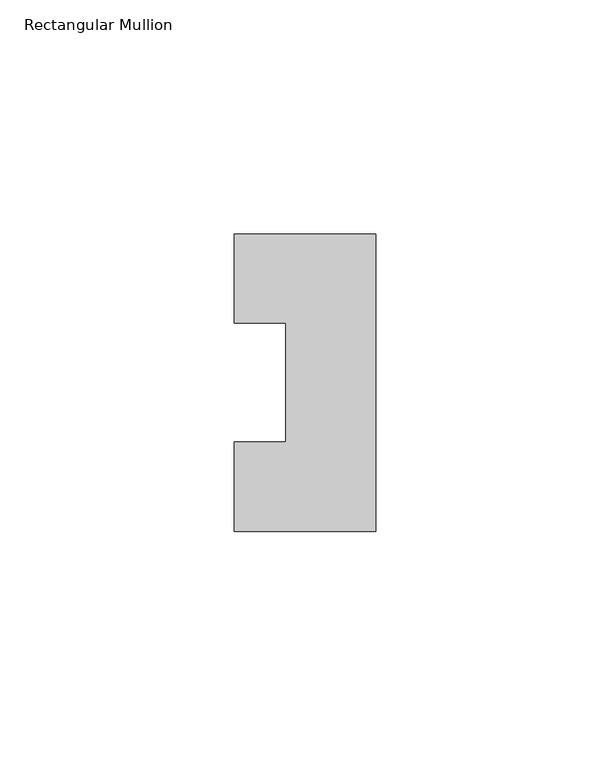
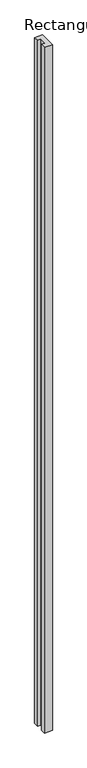
"""IFC4 building model written with IfcOpenShell, lengths in millimetres: member geometry, Rectangular Mullion."""

from ifc_helpers import new_model, si_unit, frame, origin, place, context, project, spatial, polyline, outline, extrude, source, transform, mapped, element, save


def rectangular_mullion_c728bcba(model_context):
    return source(origin(), model_context, "Body", "SweptSolid", [
        extrude(outline(polyline([(0.0, -31.7489583), (-30.2006, -31.7489583), (-30.2006, -12.7), (-19.2381312, -12.7), (-19.2381312, 12.7), (-30.2006, 12.7), (-30.2006, 31.7489583), (0.0, 31.7489583), (0.0, -31.7489583)])), frame((0.0, 0.0, -2743.2), z_axis=(0.0, 0.0, 1.0), x_axis=(1.0, 0.0, 0.0)), (0.0, 0.0, 1.0), 2743.2),
    ])


if __name__ == "__main__":
    model = new_model("IFC4")
    model_context = context("Model", 3, world=origin())
    ifc_project = project(units=[si_unit("LENGTHUNIT", "METRE", prefix="MILLI")], contexts=[model_context])
    site = spatial("IfcSite", under=ifc_project)
    building = spatial("IfcBuilding", under=site)
    placement = place(None, origin())
    rectangular_mullion_shape = rectangular_mullion_c728bcba(model_context)
    element("IfcMember", 1, ObjectType="Rectangular Mullion", at=placement, inside=building, context=model_context, shape_type="MappedRepresentation", body=[
        mapped(rectangular_mullion_shape, transform((0.0, 0.0, 0.0), x_axis=(1.0, 0.0, 0.0), y_axis=(0.0, 1.0, 0.0), z_axis=(0.0, 0.0, 1.0))),
    ])
    save(model, "model.ifc")
